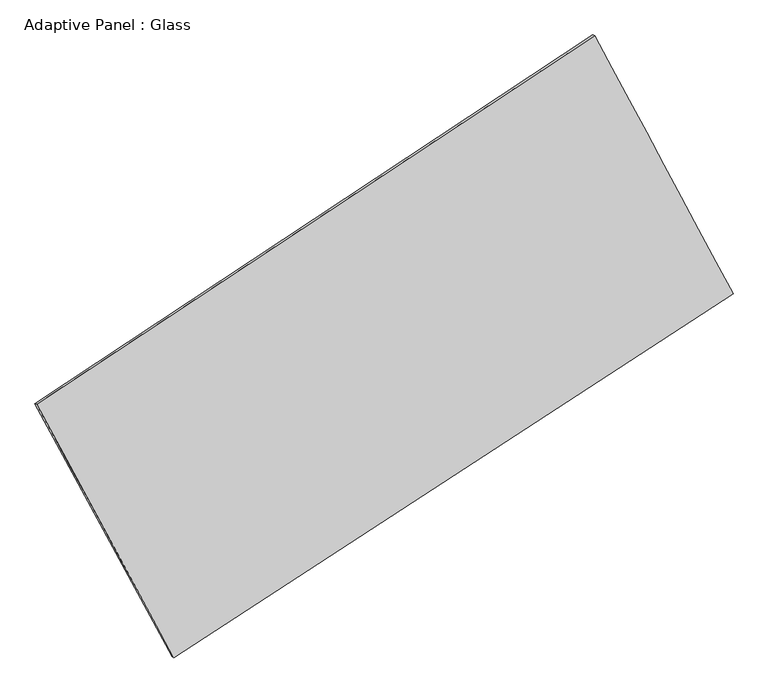
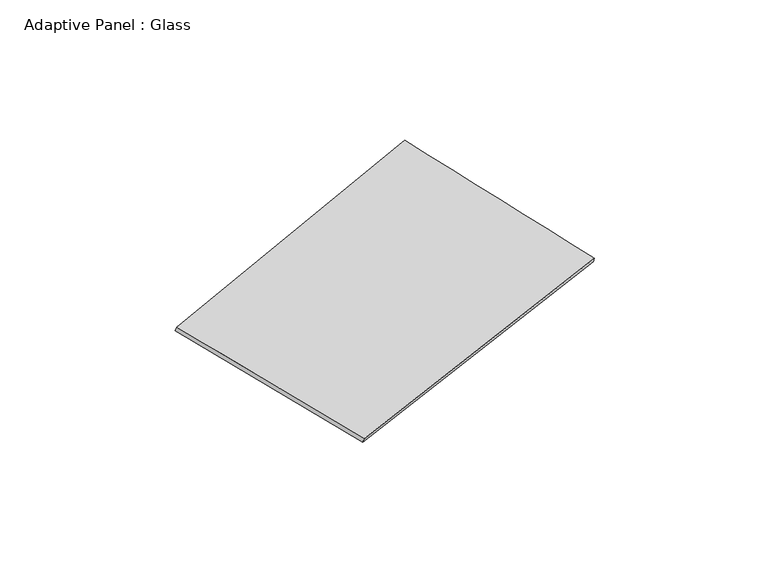
"""IFC4 building model written with IfcOpenShell, lengths in millimetres: plate geometry, Adaptive Panel : Glass."""

from ifc_helpers import new_model, si_unit, frame, origin, place, context, project, spatial, source, transform, mapped, element, save
from ifc_brep_helpers import plane_surface, spline_surface, advanced_brep


def adaptive_panel_glass_5a1978ae(model_context):
    return source(origin(), model_context, "Body", "AdvancedBrep", [
        advanced_brep(
        [(1171.2496811, 2607.7331898, 684.5701816), (-3669.003367, -589.7941003, 1726.7497574), (-3654.3370112, -596.1741938, 1774.1226655), (1185.916037, 2601.3530963, 731.9430896), (-2477.467995, -2786.6899555, 1087.9586041), (-2462.8016392, -2793.070049, 1135.3315122), (2371.9311028, 368.5022932, -14.156023), (2386.5974586, 362.1221998, 33.2168851)],
        [
            (0, 1),
            (1, 2),
            (2, 3),
            (3, 0),
            (1, 4),
            (4, 5),
            (5, 2),
            (4, 6),
            (6, 7),
            (7, 5),
            (6, 0),
            (3, 7),
        ],
        [
            plane_surface(frame((-1248.876843, 1008.9695447, 1205.6599695), z_axis=(-0.4914489539732687, 0.8299524227624772, 0.2639259395915359), x_axis=(-0.8212272610267778, -0.5425122514006897, 0.17682263097978068))),
            plane_surface(frame((-3073.235681, -1688.2420279, 1407.3541808), z_axis=(-0.8385426365487366, -0.510304622583577, 0.19088069273692002), x_axis=(0.4619130709918041, -0.8516531988564793, -0.24763510196344676))),
            plane_surface(frame((-52.7684461, -1209.0938311, 536.9012906), z_axis=(0.48370668001824574, -0.8350283826010816, -0.2622126006818669), x_axis=(0.8233931917115334, 0.535729017926026, -0.18713116040657107))),
            plane_surface(frame((1771.5903919, 1488.1177415, 335.2070793), z_axis=(0.838976816470592, 0.5094994500368654, -0.19112355123585034), x_axis=(-0.4556408435381886, 0.849755010923064, 0.26515626168535283))),
            spline_surface(1, 1, [[(-3654.3370112, -596.1741938, 1774.1226655), (1185.916037, 2601.3530963, 731.9430896)], [(-2462.8016392, -2793.070049, 1135.3315122), (2386.5974586, 362.1221998, 33.2168851)]], [2, 2], [2, 2], [0.0, 1.0], [0.0, 1.0]),
            spline_surface(1, 1, [[(2371.9311028, 368.5022932, -14.156023), (1171.2496811, 2607.7331898, 684.5701816)], [(-2477.467995, -2786.6899555, 1087.9586041), (-3669.003367, -589.7941003, 1726.7497574)]], [2, 2], [2, 2], [0.0, 1.0], [0.0, 1.0]),
        ],
        [
            (0, [[1, 2, 3, 4]]),
            (1, [[5, 6, 7, -2]]),
            (2, [[8, 9, 10, -6]]),
            (3, [[11, -4, 12, -9]]),
            (4, [[-3, -7, -10, -12]]),
            (5, [[-11, -8, -5, -1]]),
        ],
    ),
    ])


if __name__ == "__main__":
    model = new_model("IFC4")
    model_context = context("Model", 3, world=origin())
    ifc_project = project(units=[si_unit("LENGTHUNIT", "METRE", prefix="MILLI")], contexts=[model_context])
    site = spatial("IfcSite", under=ifc_project)
    building = spatial("IfcBuilding", under=site)
    placement = place(None, origin())
    adaptive_panel_glass_shape = adaptive_panel_glass_5a1978ae(model_context)
    element("IfcPlate", 1, ObjectType="Adaptive Panel : Glass", at=placement, inside=building, context=model_context, shape_type="MappedRepresentation", body=[
        mapped(adaptive_panel_glass_shape, transform((0.0, 0.0, 0.0), x_axis=(1.0, 0.0, 0.0), y_axis=(0.0, 1.0, 0.0), z_axis=(0.0, 0.0, 1.0))),
    ])
    save(model, "model.ifc")
